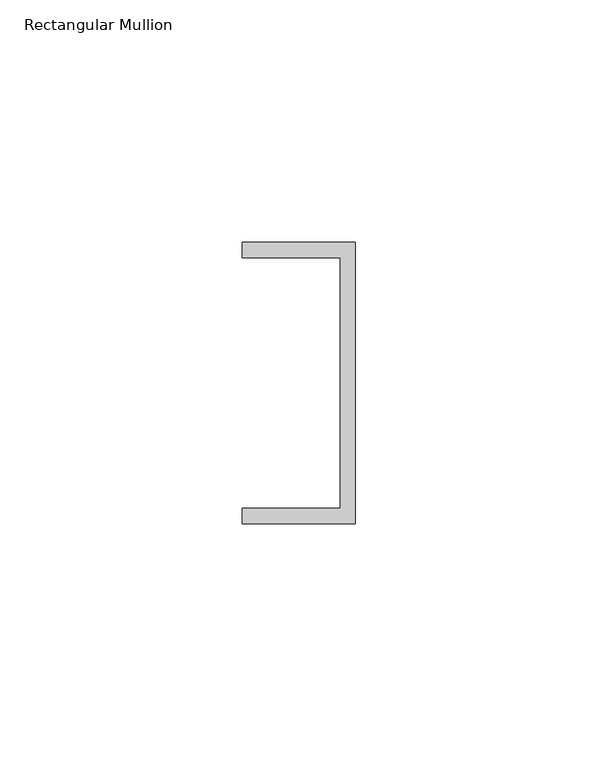
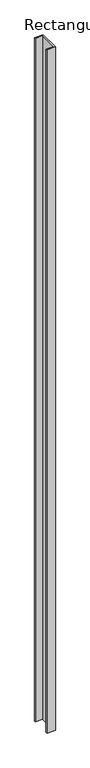
"""IFC4 building model written with IfcOpenShell, lengths in millimetres: member geometry, Rectangular Mullion."""

import ifcopenshell
import ifcopenshell.guid

model = None  # the IFC model being written
_history = None  # IfcOwnerHistory: only IFC2X3 demands one
_inside = {}  # id of a spatial element -> (the spatial element, [elements in it])
_under = {}  # id of a project, library or spatial element -> (it, [spatial elements below it])
_declared = {}  # id of a project -> (the project, [libraries it declares])
_typed = {}  # id of a type object -> (the type object, [elements of that type])
_made_of = {}  # id of a material, layer set ... -> (it, [elements and type objects made of it])


def new_model(schema):
    """Start an empty IFC model of exactly this schema.

    Asked for "IFC4X3", IfcOpenShell would pick the latest addendum, in which some entities
    have other attributes; the version numbers below select the first issue.
    IFC2X3 requires an IfcOwnerHistory on every rooted entity: one is made here for all.
    """
    global model, _history
    if schema == "IFC4X3":
        model = ifcopenshell.file(schema_version=(4, 3, 0, 0))
    else:
        model = ifcopenshell.file(schema=schema)
    _inside.clear()
    _under.clear()
    _declared.clear()
    _typed.clear()
    _made_of.clear()
    _history = None
    if model.schema == "IFC2X3":
        org = make("IfcOrganization", Name="unknown")
        user = make(
            "IfcPersonAndOrganization",
            ThePerson=make("IfcPerson", FamilyName="unknown"),
            TheOrganization=org,
        )
        app = make(
            "IfcApplication",
            ApplicationDeveloper=org,
            Version="unknown",
            ApplicationFullName="unknown",
            ApplicationIdentifier="unknown",
        )
        _history = make(
            "IfcOwnerHistory",
            OwningUser=user,
            OwningApplication=app,
            ChangeAction="ADDED",
            CreationDate=0,
        )
    return model


def make(cls, **values):
    """One entity of the class cls with the attributes given. An attribute that is None is left unset."""
    return model.create_entity(
        cls, **{name: value for name, value in values.items() if value is not None}
    )


def rooted(cls, **values):
    """An entity with a GlobalId (a new one), such as an element, a storey or a relation."""
    return make(cls, GlobalId=ifcopenshell.guid.new(), OwnerHistory=_history, **values)


def si_unit(unit_type, name, prefix=None):
    """IfcSIUnit, for example si_unit("LENGTHUNIT", "METRE", prefix="MILLI")."""
    return make("IfcSIUnit", UnitType=unit_type, Prefix=prefix, Name=name)


def assignment(units):
    """IfcUnitAssignment: the units of a project."""
    return None if units is None else make("IfcUnitAssignment", Units=units)


def point(xyz):
    """IfcCartesianPoint."""
    return None if xyz is None else make("IfcCartesianPoint", Coordinates=xyz)


def direction(xyz):
    """IfcDirection."""
    return None if xyz is None else make("IfcDirection", DirectionRatios=xyz)


def frame(location, z_axis=None, x_axis=None):
    """IfcAxis2Placement3D, a coordinate frame: its origin and axes. An axis left out is left unset."""
    return make(
        "IfcAxis2Placement3D",
        Location=point(location),
        Axis=direction(z_axis),
        RefDirection=direction(x_axis),
    )


def origin():
    """The frame at (0, 0, 0) with its axes left unset."""
    return frame((0.0, 0.0, 0.0))


def place(relative_to, where):
    """IfcLocalPlacement: puts the frame where relative to a parent placement (None: the world)."""
    return make(
        "IfcLocalPlacement", PlacementRelTo=relative_to, RelativePlacement=where
    )


def context(
    kind, dimensions, precision=None, world=None, true_north=None, identifier=None
):
    """IfcGeometricRepresentationContext, for example the 3D "Model" context."""
    return make(
        "IfcGeometricRepresentationContext",
        ContextIdentifier=identifier,
        ContextType=kind,
        CoordinateSpaceDimension=dimensions,
        Precision=precision,
        WorldCoordinateSystem=world,
        TrueNorth=true_north,
    )


def project(units=None, contexts=None):
    """IfcProject with its units and contexts."""
    return rooted(
        "IfcProject",
        Name="project",
        RepresentationContexts=contexts,
        UnitsInContext=assignment(units),
    )


def spatial(cls, under=None, at=None, **own):
    """A site, building, storey or space (cls), placed at a placement, below another one or the project."""
    s = rooted(cls, ObjectPlacement=at, **own)
    if under is not None:
        _under.setdefault(under.id(), (under, []))[1].append(s)
    return s


def polyline(points):
    """IfcPolyline through the points."""
    return make("IfcPolyline", Points=[point(p) for p in points])


def outline(outer, holes=None, kind="AREA"):
    """IfcArbitraryClosedProfileDef: a profile drawn as a closed curve; with holes, ...WithVoids."""
    if holes is None:
        return make("IfcArbitraryClosedProfileDef", ProfileType=kind, OuterCurve=outer)
    return make(
        "IfcArbitraryProfileDefWithVoids",
        ProfileType=kind,
        OuterCurve=outer,
        InnerCurves=holes,
    )


def extrude(swept, where, along, depth):
    """IfcExtrudedAreaSolid: the profile swept, set in the frame where, extruded along a direction by depth."""
    return make(
        "IfcExtrudedAreaSolid",
        SweptArea=swept,
        Position=where,
        ExtrudedDirection=direction(along),
        Depth=depth,
    )


def shape(context_of_items, identifier, shape_type, items):
    """IfcShapeRepresentation: the items that make up one representation, for example the "Body"."""
    return make(
        "IfcShapeRepresentation",
        ContextOfItems=context_of_items,
        RepresentationIdentifier=identifier,
        RepresentationType=shape_type,
        Items=items,
    )


def source(mapping_origin, context_of_items, identifier, shape_type, items):
    """IfcRepresentationMap: a shape defined once, which mapped items show again and again."""
    return make(
        "IfcRepresentationMap",
        MappingOrigin=mapping_origin,
        MappedRepresentation=shape(context_of_items, identifier, shape_type, items),
    )


def transform(
    local_origin,
    x_axis=None,
    y_axis=None,
    z_axis=None,
    scale=None,
    scale2=None,
    scale3=None,
    uniform=True,
):
    """IfcCartesianTransformationOperator3D, or its non-uniform kind. x_axis, y_axis, z_axis: its Axis1, 2, 3."""
    if uniform:
        return make(
            "IfcCartesianTransformationOperator3D",
            Axis1=direction(x_axis),
            Axis2=direction(y_axis),
            LocalOrigin=point(local_origin),
            Scale=scale,
            Axis3=direction(z_axis),
        )
    return make(
        "IfcCartesianTransformationOperator3DnonUniform",
        Axis1=direction(x_axis),
        Axis2=direction(y_axis),
        LocalOrigin=point(local_origin),
        Scale=scale,
        Axis3=direction(z_axis),
        Scale2=scale2,
        Scale3=scale3,
    )


def mapped(mapping_source, mapping_target):
    """IfcMappedItem: shows the shape of a source again, moved by a transform."""
    return make(
        "IfcMappedItem", MappingSource=mapping_source, MappingTarget=mapping_target
    )


def made_of(thing, what):
    """Note that an element or type object is made of a material, layer set ...; save() writes the relation."""
    if what is not None:
        _made_of.setdefault(what.id(), (what, []))[1].append(thing)
    return thing


def element(
    cls,
    number,
    at=None,
    inside=None,
    cuts=None,
    type_object=None,
    material=None,
    context=None,
    identifier="Body",
    shape_type=None,
    held_by="IfcProductDefinitionShape",
    body=None,
    shapes=None,
    **own,
):
    """One element of the class cls, such as IfcWall. Its Tag is "e" and its number.

    at: its placement. inside: the storey or other place that contains it. cuts: it is an
    opening in that element (IfcRelVoidsElement). A single representation is given by context,
    identifier, shape_type and body (its items); several are given by shapes. held_by: the class
    of the entity that holds the representations. save() writes the other relations.
    """
    e = rooted(cls, Tag="e%d" % number, ObjectPlacement=at, **own)
    if body is not None:
        shapes = [shape(context, identifier, shape_type, body)]
    if shapes is not None:
        e.Representation = make(held_by, Representations=shapes)
    if inside is not None:
        _inside.setdefault(inside.id(), (inside, []))[1].append(e)
    if cuts is not None:
        rooted(
            "IfcRelVoidsElement", RelatingBuildingElement=cuts, RelatedOpeningElement=e
        )
    if type_object is not None:
        _typed.setdefault(type_object.id(), (type_object, []))[1].append(e)
    return made_of(e, material)


def aggregate(whole, parts):
    """IfcRelAggregates: a whole, such as a stair, and the parts it consists of."""
    return rooted("IfcRelAggregates", RelatingObject=whole, RelatedObjects=parts)


def save(model, path):
    """Write the relations noted so far, then the file.

    IfcRelAggregates (storeys below a building ...), IfcRelContainedInSpatialStructure (elements
    in a storey), IfcRelDefinesByType, IfcRelAssociatesMaterial and IfcRelDeclares: one each for
    every whole, place, type object, material and project.
    """
    for whole, parts in _under.values():
        aggregate(whole, parts)
    for where, things in _inside.values():
        rooted(
            "IfcRelContainedInSpatialStructure",
            RelatedElements=things,
            RelatingStructure=where,
        )
    for kind, things in _typed.values():
        rooted("IfcRelDefinesByType", RelatedObjects=things, RelatingType=kind)
    for what, things in _made_of.values():
        rooted("IfcRelAssociatesMaterial", RelatedObjects=things, RelatingMaterial=what)
    for by, libraries in _declared.values():
        rooted("IfcRelDeclares", RelatingContext=by, RelatedDefinitions=libraries)
    model.write(path)


def rectangular_mullion_5de60da2(model_context):
    return source(origin(), model_context, "Body", "SweptSolid", [
        extrude(outline(polyline([(0.0, 29.0214844), (0.0, -29.0214844), (-23.3164063, -29.0214844), (-23.3164063, -25.8464844), (-3.175, -25.8464844), (-3.175, 25.8464844), (-23.3164063, 25.8464844), (-23.3164063, 29.0214844), (0.0, 29.0214844)])), frame((0.0, 0.0, -1990.0304688), z_axis=(0.0, 0.0, 1.0), x_axis=(1.0, 0.0, 0.0)), (0.0, 0.0, 1.0), 1990.0304688),
    ])


if __name__ == "__main__":
    model = new_model("IFC4")
    model_context = context("Model", 3, world=origin())
    ifc_project = project(units=[si_unit("LENGTHUNIT", "METRE", prefix="MILLI")], contexts=[model_context])
    site = spatial("IfcSite", under=ifc_project)
    building = spatial("IfcBuilding", under=site)
    placement = place(None, origin())
    rectangular_mullion_shape = rectangular_mullion_5de60da2(model_context)
    element("IfcMember", 1, ObjectType="Rectangular Mullion", at=placement, inside=building, context=model_context, shape_type="MappedRepresentation", body=[
        mapped(rectangular_mullion_shape, transform((0.0, 0.0, 0.0), x_axis=(1.0, 0.0, 0.0), y_axis=(0.0, 1.0, 0.0), z_axis=(0.0, 0.0, 1.0))),
    ])
    save(model, "model.ifc")
